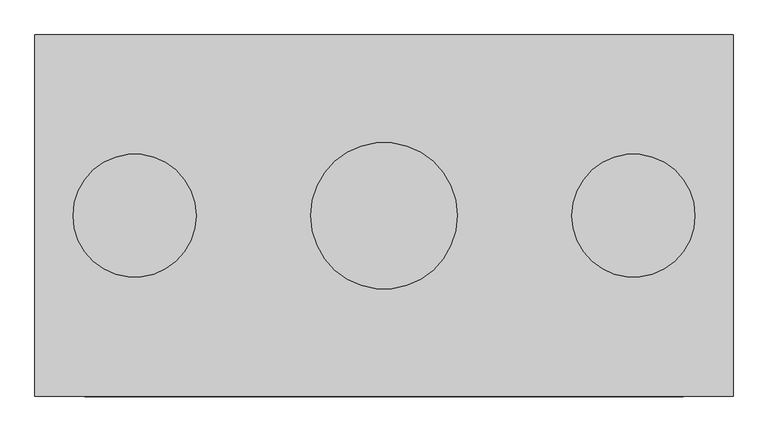
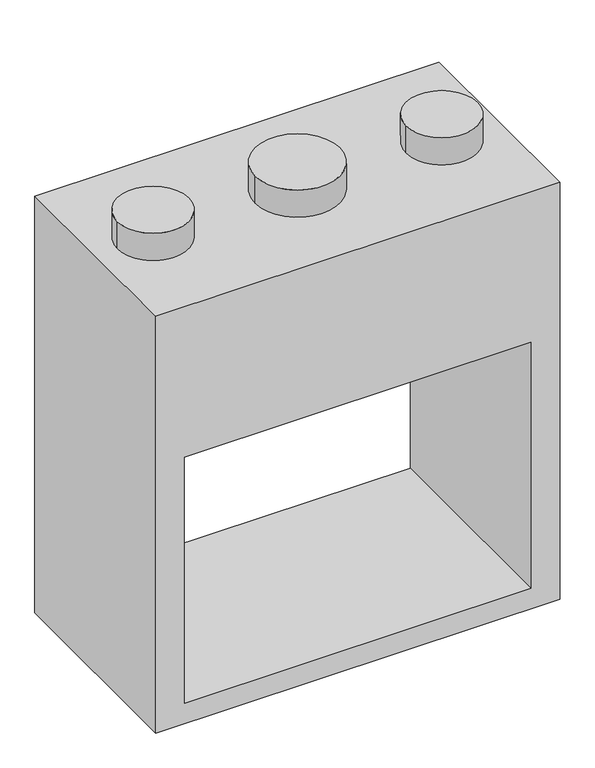
"""IFC4 building model written with IfcOpenShell, lengths in millimetres: proxy geometry."""

import ifcopenshell
import ifcopenshell.guid

model = None  # the IFC model being written
_history = None  # IfcOwnerHistory: only IFC2X3 demands one
_inside = {}  # id of a spatial element -> (the spatial element, [elements in it])
_under = {}  # id of a project, library or spatial element -> (it, [spatial elements below it])
_declared = {}  # id of a project -> (the project, [libraries it declares])
_typed = {}  # id of a type object -> (the type object, [elements of that type])
_made_of = {}  # id of a material, layer set ... -> (it, [elements and type objects made of it])


def new_model(schema):
    """Start an empty IFC model of exactly this schema.

    Asked for "IFC4X3", IfcOpenShell would pick the latest addendum, in which some entities
    have other attributes; the version numbers below select the first issue.
    IFC2X3 requires an IfcOwnerHistory on every rooted entity: one is made here for all.
    """
    global model, _history
    if schema == "IFC4X3":
        model = ifcopenshell.file(schema_version=(4, 3, 0, 0))
    else:
        model = ifcopenshell.file(schema=schema)
    _inside.clear()
    _under.clear()
    _declared.clear()
    _typed.clear()
    _made_of.clear()
    _history = None
    if model.schema == "IFC2X3":
        org = make("IfcOrganization", Name="unknown")
        user = make(
            "IfcPersonAndOrganization",
            ThePerson=make("IfcPerson", FamilyName="unknown"),
            TheOrganization=org,
        )
        app = make(
            "IfcApplication",
            ApplicationDeveloper=org,
            Version="unknown",
            ApplicationFullName="unknown",
            ApplicationIdentifier="unknown",
        )
        _history = make(
            "IfcOwnerHistory",
            OwningUser=user,
            OwningApplication=app,
            ChangeAction="ADDED",
            CreationDate=0,
        )
    return model


def make(cls, **values):
    """One entity of the class cls with the attributes given. An attribute that is None is left unset."""
    return model.create_entity(
        cls, **{name: value for name, value in values.items() if value is not None}
    )


def rooted(cls, **values):
    """An entity with a GlobalId (a new one), such as an element, a storey or a relation."""
    return make(cls, GlobalId=ifcopenshell.guid.new(), OwnerHistory=_history, **values)


def si_unit(unit_type, name, prefix=None):
    """IfcSIUnit, for example si_unit("LENGTHUNIT", "METRE", prefix="MILLI")."""
    return make("IfcSIUnit", UnitType=unit_type, Prefix=prefix, Name=name)


def assignment(units):
    """IfcUnitAssignment: the units of a project."""
    return None if units is None else make("IfcUnitAssignment", Units=units)


def point(xyz):
    """IfcCartesianPoint."""
    return None if xyz is None else make("IfcCartesianPoint", Coordinates=xyz)


def direction(xyz):
    """IfcDirection."""
    return None if xyz is None else make("IfcDirection", DirectionRatios=xyz)


def frame(location, z_axis=None, x_axis=None):
    """IfcAxis2Placement3D, a coordinate frame: its origin and axes. An axis left out is left unset."""
    return make(
        "IfcAxis2Placement3D",
        Location=point(location),
        Axis=direction(z_axis),
        RefDirection=direction(x_axis),
    )


def frame_2d(location, x_axis=None):
    """IfcAxis2Placement2D, a coordinate frame in the plane: its origin and x axis."""
    return make(
        "IfcAxis2Placement2D", Location=point(location), RefDirection=direction(x_axis)
    )


def origin():
    """The frame at (0, 0, 0) with its axes left unset."""
    return frame((0.0, 0.0, 0.0))


def origin_2d():
    """The frame at (0, 0) in the plane with its x axis left unset."""
    return frame_2d((0.0, 0.0))


def place(relative_to, where):
    """IfcLocalPlacement: puts the frame where relative to a parent placement (None: the world)."""
    return make(
        "IfcLocalPlacement", PlacementRelTo=relative_to, RelativePlacement=where
    )


def context(
    kind, dimensions, precision=None, world=None, true_north=None, identifier=None
):
    """IfcGeometricRepresentationContext, for example the 3D "Model" context."""
    return make(
        "IfcGeometricRepresentationContext",
        ContextIdentifier=identifier,
        ContextType=kind,
        CoordinateSpaceDimension=dimensions,
        Precision=precision,
        WorldCoordinateSystem=world,
        TrueNorth=true_north,
    )


def project(units=None, contexts=None):
    """IfcProject with its units and contexts."""
    return rooted(
        "IfcProject",
        Name="project",
        RepresentationContexts=contexts,
        UnitsInContext=assignment(units),
    )


def spatial(cls, under=None, at=None, **own):
    """A site, building, storey or space (cls), placed at a placement, below another one or the project."""
    s = rooted(cls, ObjectPlacement=at, **own)
    if under is not None:
        _under.setdefault(under.id(), (under, []))[1].append(s)
    return s


def polyline(points):
    """IfcPolyline through the points."""
    return make("IfcPolyline", Points=[point(p) for p in points])


def circle_curve(where, radius):
    """IfcCircle in the frame where."""
    return make("IfcCircle", Position=where, Radius=radius)


def trimmed(basis, trim1, trim2, sense, master):
    """IfcTrimmedCurve: the piece of a basis curve between two trims."""
    return make(
        "IfcTrimmedCurve",
        BasisCurve=basis,
        Trim1=trim1,
        Trim2=trim2,
        SenseAgreement=sense,
        MasterRepresentation=master,
    )


def segment(curve, same_sense, transition):
    """IfcCompositeCurveSegment."""
    return make(
        "IfcCompositeCurveSegment",
        Transition=transition,
        SameSense=same_sense,
        ParentCurve=curve,
    )


def composite_curve(segments, self_intersect=None):
    """IfcCompositeCurve: segments joined end to end."""
    return make("IfcCompositeCurve", Segments=segments, SelfIntersect=self_intersect)


def outline(outer, holes=None, kind="AREA"):
    """IfcArbitraryClosedProfileDef: a profile drawn as a closed curve; with holes, ...WithVoids."""
    if holes is None:
        return make("IfcArbitraryClosedProfileDef", ProfileType=kind, OuterCurve=outer)
    return make(
        "IfcArbitraryProfileDefWithVoids",
        ProfileType=kind,
        OuterCurve=outer,
        InnerCurves=holes,
    )


def extrude(swept, where, along, depth):
    """IfcExtrudedAreaSolid: the profile swept, set in the frame where, extruded along a direction by depth."""
    return make(
        "IfcExtrudedAreaSolid",
        SweptArea=swept,
        Position=where,
        ExtrudedDirection=direction(along),
        Depth=depth,
    )


def shape(context_of_items, identifier, shape_type, items):
    """IfcShapeRepresentation: the items that make up one representation, for example the "Body"."""
    return make(
        "IfcShapeRepresentation",
        ContextOfItems=context_of_items,
        RepresentationIdentifier=identifier,
        RepresentationType=shape_type,
        Items=items,
    )


def source(mapping_origin, context_of_items, identifier, shape_type, items):
    """IfcRepresentationMap: a shape defined once, which mapped items show again and again."""
    return make(
        "IfcRepresentationMap",
        MappingOrigin=mapping_origin,
        MappedRepresentation=shape(context_of_items, identifier, shape_type, items),
    )


def transform(
    local_origin,
    x_axis=None,
    y_axis=None,
    z_axis=None,
    scale=None,
    scale2=None,
    scale3=None,
    uniform=True,
):
    """IfcCartesianTransformationOperator3D, or its non-uniform kind. x_axis, y_axis, z_axis: its Axis1, 2, 3."""
    if uniform:
        return make(
            "IfcCartesianTransformationOperator3D",
            Axis1=direction(x_axis),
            Axis2=direction(y_axis),
            LocalOrigin=point(local_origin),
            Scale=scale,
            Axis3=direction(z_axis),
        )
    return make(
        "IfcCartesianTransformationOperator3DnonUniform",
        Axis1=direction(x_axis),
        Axis2=direction(y_axis),
        LocalOrigin=point(local_origin),
        Scale=scale,
        Axis3=direction(z_axis),
        Scale2=scale2,
        Scale3=scale3,
    )


def mapped(mapping_source, mapping_target):
    """IfcMappedItem: shows the shape of a source again, moved by a transform."""
    return make(
        "IfcMappedItem", MappingSource=mapping_source, MappingTarget=mapping_target
    )


def made_of(thing, what):
    """Note that an element or type object is made of a material, layer set ...; save() writes the relation."""
    if what is not None:
        _made_of.setdefault(what.id(), (what, []))[1].append(thing)
    return thing


def element(
    cls,
    number,
    at=None,
    inside=None,
    cuts=None,
    type_object=None,
    material=None,
    context=None,
    identifier="Body",
    shape_type=None,
    held_by="IfcProductDefinitionShape",
    body=None,
    shapes=None,
    **own,
):
    """One element of the class cls, such as IfcWall. Its Tag is "e" and its number.

    at: its placement. inside: the storey or other place that contains it. cuts: it is an
    opening in that element (IfcRelVoidsElement). A single representation is given by context,
    identifier, shape_type and body (its items); several are given by shapes. held_by: the class
    of the entity that holds the representations. save() writes the other relations.
    """
    e = rooted(cls, Tag="e%d" % number, ObjectPlacement=at, **own)
    if body is not None:
        shapes = [shape(context, identifier, shape_type, body)]
    if shapes is not None:
        e.Representation = make(held_by, Representations=shapes)
    if inside is not None:
        _inside.setdefault(inside.id(), (inside, []))[1].append(e)
    if cuts is not None:
        rooted(
            "IfcRelVoidsElement", RelatingBuildingElement=cuts, RelatedOpeningElement=e
        )
    if type_object is not None:
        _typed.setdefault(type_object.id(), (type_object, []))[1].append(e)
    return made_of(e, material)


def aggregate(whole, parts):
    """IfcRelAggregates: a whole, such as a stair, and the parts it consists of."""
    return rooted("IfcRelAggregates", RelatingObject=whole, RelatedObjects=parts)


def save(model, path):
    """Write the relations noted so far, then the file.

    IfcRelAggregates (storeys below a building ...), IfcRelContainedInSpatialStructure (elements
    in a storey), IfcRelDefinesByType, IfcRelAssociatesMaterial and IfcRelDeclares: one each for
    every whole, place, type object, material and project.
    """
    for whole, parts in _under.values():
        aggregate(whole, parts)
    for where, things in _inside.values():
        rooted(
            "IfcRelContainedInSpatialStructure",
            RelatedElements=things,
            RelatingStructure=where,
        )
    for kind, things in _typed.values():
        rooted("IfcRelDefinesByType", RelatedObjects=things, RelatingType=kind)
    for what, things in _made_of.values():
        rooted("IfcRelAssociatesMaterial", RelatedObjects=things, RelatingMaterial=what)
    for by, libraries in _declared.values():
        rooted("IfcRelDeclares", RelatingContext=by, RelatedDefinitions=libraries)
    model.write(path)


def generic_models_22b5ed5b(model_context):
    return source(origin(), model_context, "Body", "SweptSolid", [
        extrude(outline(polyline([(1549.4, 711.2), (1549.4, -711.2), (0.0, -711.2), (0.0, 711.2), (1549.4, 711.2)]), holes=[polyline([(990.6, -609.6), (990.6, 609.6), (76.2, 609.6), (76.2, -609.6), (990.6, -609.6)])]), frame((0.0, -368.3, 0.0), z_axis=(0.0, 1.0, 0.0), x_axis=(0.0, 0.0, 1.0)), (0.0, 0.0, 1.0), 736.6),
        extrude(outline(composite_curve([segment(trimmed(circle_curve(frame_2d((-508.0, 0.0)), 125.4125), [point((-633.4125, 0.0))], [point((-382.5875, 0.0))], False, "CARTESIAN"), True, "CONTINUOUS"), segment(trimmed(circle_curve(frame_2d((-508.0, 0.0)), 125.4125), [point((-382.5875, 0.0))], [point((-633.4125, 0.0))], False, "CARTESIAN"), True, "CONTINUOUS")], self_intersect=False)), frame((0.0, 0.0, 1549.4), z_axis=(0.0, 0.0, 1.0), x_axis=(1.0, 0.0, 0.0)), (0.0, 0.0, 1.0), 101.6),
        extrude(outline(composite_curve([segment(trimmed(circle_curve(frame_2d((508.0, 0.0)), 125.4125), [point((382.5875, 0.0))], [point((633.4125, 0.0))], False, "CARTESIAN"), True, "CONTINUOUS"), segment(trimmed(circle_curve(frame_2d((508.0, 0.0)), 125.4125), [point((633.4125, 0.0))], [point((382.5875, 0.0))], False, "CARTESIAN"), True, "CONTINUOUS")], self_intersect=False)), frame((0.0, 0.0, 1549.4), z_axis=(0.0, 0.0, 1.0), x_axis=(1.0, 0.0, 0.0)), (0.0, 0.0, 1.0), 101.6),
        extrude(outline(composite_curve([segment(trimmed(circle_curve(origin_2d(), 149.225), [point((-149.225, 0.0))], [point((149.225, 0.0))], False, "CARTESIAN"), True, "CONTINUOUS"), segment(trimmed(circle_curve(origin_2d(), 149.225), [point((149.225, 0.0))], [point((-149.225, 0.0))], False, "CARTESIAN"), True, "CONTINUOUS")], self_intersect=False)), frame((0.0, 0.0, 1549.4), z_axis=(0.0, 0.0, 1.0), x_axis=(1.0, 0.0, 0.0)), (0.0, 0.0, 1.0), 101.6),
    ])


if __name__ == "__main__":
    model = new_model("IFC4")
    model_context = context("Model", 3, world=origin())
    ifc_project = project(units=[si_unit("LENGTHUNIT", "METRE", prefix="MILLI")], contexts=[model_context])
    site = spatial("IfcSite", under=ifc_project)
    building = spatial("IfcBuilding", under=site)
    placement = place(None, origin())
    generic_models_shape = generic_models_22b5ed5b(model_context)
    element("IfcBuildingElementProxy", 1, Name="Generic Models", at=placement, inside=building, context=model_context, shape_type="MappedRepresentation", body=[
        mapped(generic_models_shape, transform((0.0, 0.0, 0.0), x_axis=(1.0, 0.0, 0.0), y_axis=(0.0, 1.0, 0.0), z_axis=(0.0, 0.0, 1.0))),
    ])
    save(model, "model.ifc")
